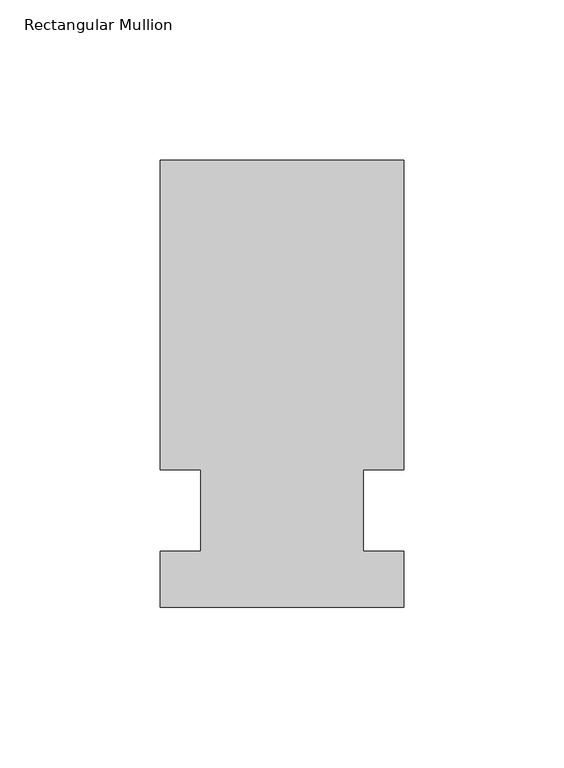
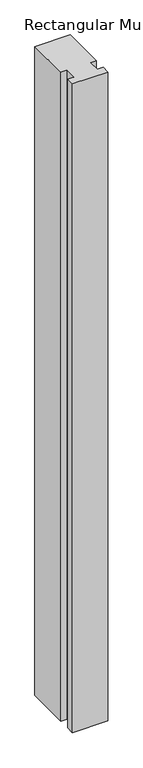
"""IFC4 building model written with IfcOpenShell, lengths in millimetres: member geometry, Rectangular Mullion."""

from ifc_helpers import new_model, si_unit, frame, origin, place, context, project, spatial, polyline, outline, extrude, source, transform, mapped, element, save


def rectangular_mullion_ab63ecd5(model_context):
    return source(origin(), model_context, "Body", "SweptSolid", [
        extrude(outline(polyline([(42.4344027, 109.5375), (42.4344027, 12.7), (29.7326322, 12.7), (29.7326322, -12.7), (42.4344027, -12.7), (42.4344027, -30.1625), (-33.7655973, -30.1625), (-33.7655973, -12.7), (-21.0655973, -12.7), (-21.0655973, 12.7), (-33.7655973, 12.7), (-33.7655973, 109.5375), (42.4344027, 109.5375)])), frame((0.0, 0.0, -1478.28), z_axis=(0.0, 0.0, 1.0), x_axis=(1.0, 0.0, 0.0)), (0.0, 0.0, 1.0), 1478.28),
    ])


if __name__ == "__main__":
    model = new_model("IFC4")
    model_context = context("Model", 3, world=origin())
    ifc_project = project(units=[si_unit("LENGTHUNIT", "METRE", prefix="MILLI")], contexts=[model_context])
    site = spatial("IfcSite", under=ifc_project)
    building = spatial("IfcBuilding", under=site)
    placement = place(None, origin())
    rectangular_mullion_shape = rectangular_mullion_ab63ecd5(model_context)
    element("IfcMember", 1, ObjectType="Rectangular Mullion", at=placement, inside=building, context=model_context, shape_type="MappedRepresentation", body=[
        mapped(rectangular_mullion_shape, transform((0.0, 0.0, 0.0), x_axis=(1.0, 0.0, 0.0), y_axis=(0.0, 1.0, 0.0), z_axis=(0.0, 0.0, 1.0))),
    ])
    save(model, "model.ifc")
